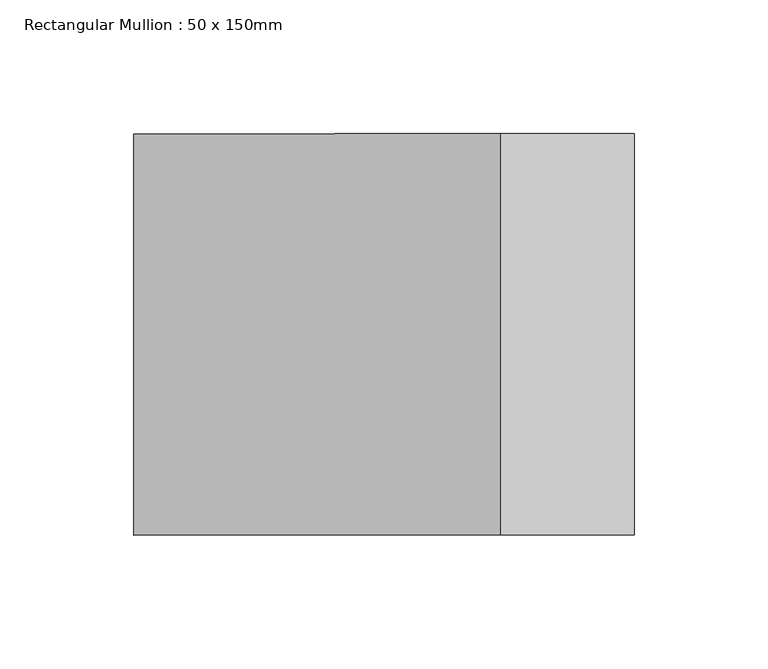
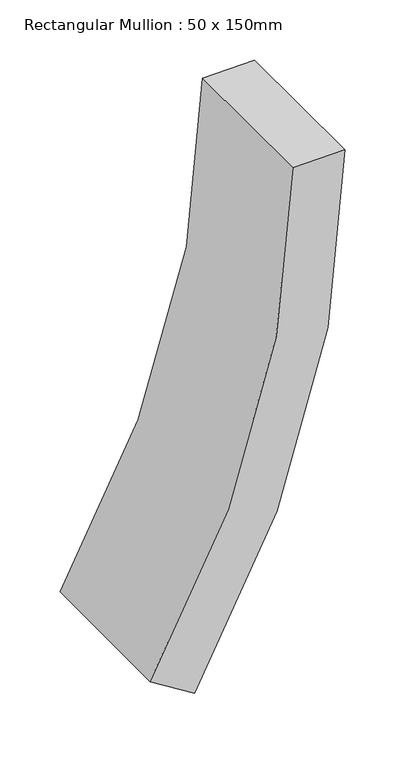
"""IFC4 building model written with IfcOpenShell, lengths in millimetres: member geometry, Rectangular Mullion : 50 x 150mm."""

from ifc_helpers import new_model, si_unit, point, frame, frame_2d, origin, place, context, project, spatial, polyline, circle_curve, trimmed, segment, composite_curve, outline, extrude, source, transform, mapped, element, save


def rectangular_mullion_50_x_150mm_b03ac667(model_context):
    return source(origin(), model_context, "Body", "SweptSolid", [
        extrude(outline(composite_curve([segment(trimmed(circle_curve(frame_2d((0.0, -938.6175609)), 938.6175609), [point((-500.6085074, -144.6439795))], [point((0.0, 0.0))], False, "CARTESIAN"), True, "CONTINUOUS"), segment(polyline([(0.0, 0.0), (-0.5978418, -50.0002011)]), True, "CONTINUOUS"), segment(trimmed(circle_curve(frame_2d((0.0, -938.6175609)), 888.6175609), [point((-0.5978418, -50.0002011))], [point((-473.9411762, -186.938819))], True, "CARTESIAN"), True, "CONTINUOUS"), segment(polyline([(-473.9411762, -186.938819), (-500.6085074, -144.6439795)]), True, "CONTINUOUS")], self_intersect=False)), frame((0.0, -75.0, 0.0), z_axis=(0.0, 1.0, 0.0), x_axis=(0.0, 0.0, 1.0)), (0.0, 0.0, 1.0), 150.0),
    ])


if __name__ == "__main__":
    model = new_model("IFC4")
    model_context = context("Model", 3, world=origin())
    ifc_project = project(units=[si_unit("LENGTHUNIT", "METRE", prefix="MILLI")], contexts=[model_context])
    site = spatial("IfcSite", under=ifc_project)
    building = spatial("IfcBuilding", under=site)
    placement = place(None, origin())
    rectangular_mullion_50_x_150mm_shape = rectangular_mullion_50_x_150mm_b03ac667(model_context)
    element("IfcMember", 1, ObjectType="Rectangular Mullion : 50 x 150mm", at=placement, inside=building, context=model_context, shape_type="MappedRepresentation", body=[
        mapped(rectangular_mullion_50_x_150mm_shape, transform((0.0, 0.0, 0.0), x_axis=(1.0, 0.0, 0.0), y_axis=(0.0, 1.0, 0.0), z_axis=(0.0, 0.0, 1.0))),
    ])
    save(model, "model.ifc")
